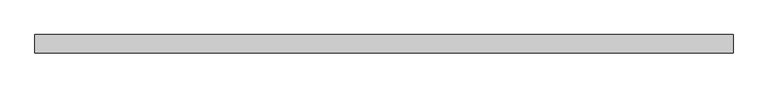
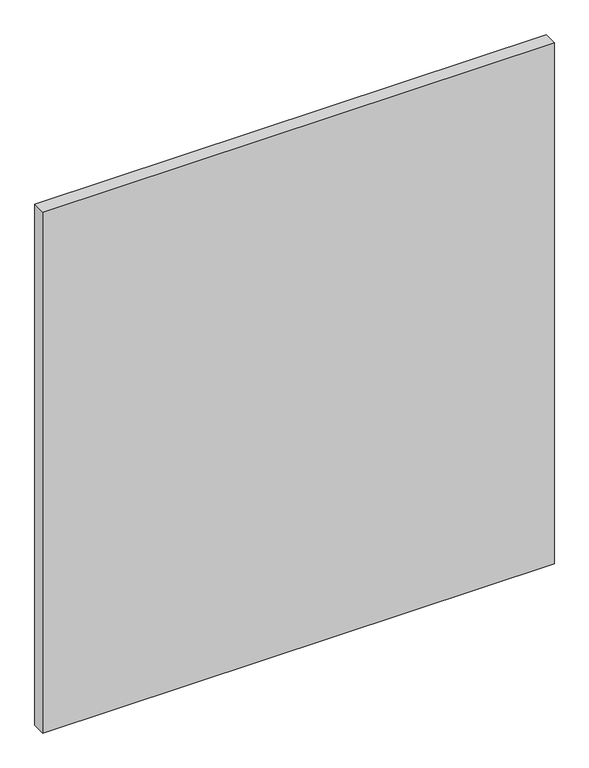
"""IFC4 building model written with IfcOpenShell, lengths in millimetres: plate geometry."""

from ifc_helpers import new_model, si_unit, origin, origin_with_axes, place, context, project, spatial, polyline, outline, extrude, source, transform, mapped, element, save


def plate_7d5e4090(model_context):
    return source(origin(), model_context, "Body", "SweptSolid", [
        extrude(outline(polyline([(670.9320652, -17.5), (-670.9320652, -17.5), (-670.9320652, 17.5), (670.9320652, 17.5), (670.9320652, -17.5)])), origin_with_axes(), (0.0, 0.0, 1.0), 1443.8125),
    ])


if __name__ == "__main__":
    model = new_model("IFC4")
    model_context = context("Model", 3, world=origin())
    ifc_project = project(units=[si_unit("LENGTHUNIT", "METRE", prefix="MILLI")], contexts=[model_context])
    site = spatial("IfcSite", under=ifc_project)
    building = spatial("IfcBuilding", under=site)
    placement = place(None, origin())
    plate_shape = plate_7d5e4090(model_context)
    element("IfcPlate", 1, at=placement, inside=building, context=model_context, shape_type="MappedRepresentation", body=[
        mapped(plate_shape, transform((0.0, 0.0, 0.0), x_axis=(1.0, 0.0, 0.0), y_axis=(0.0, 1.0, 0.0), z_axis=(0.0, 0.0, 1.0))),
    ])
    save(model, "model.ifc")
